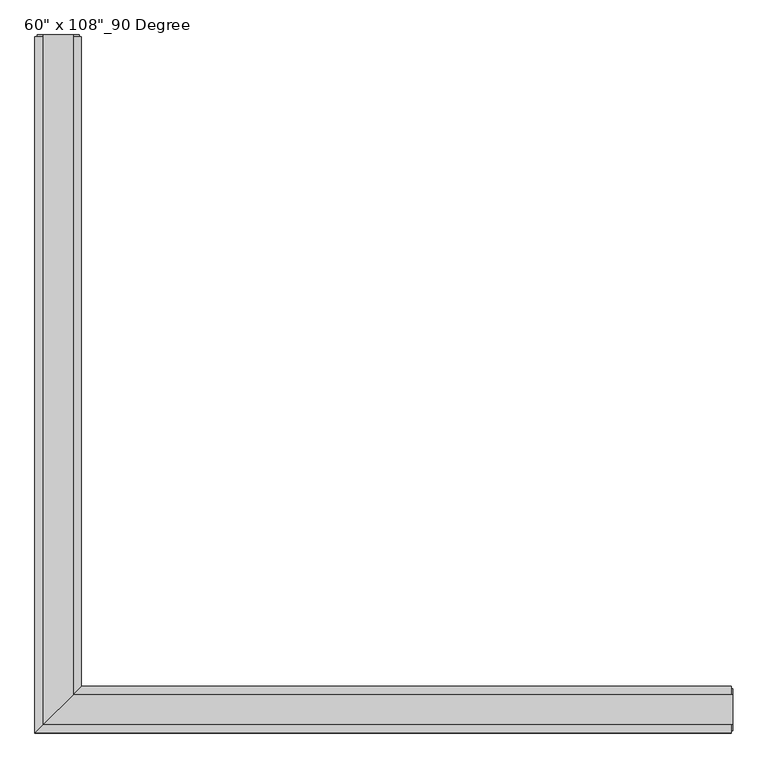
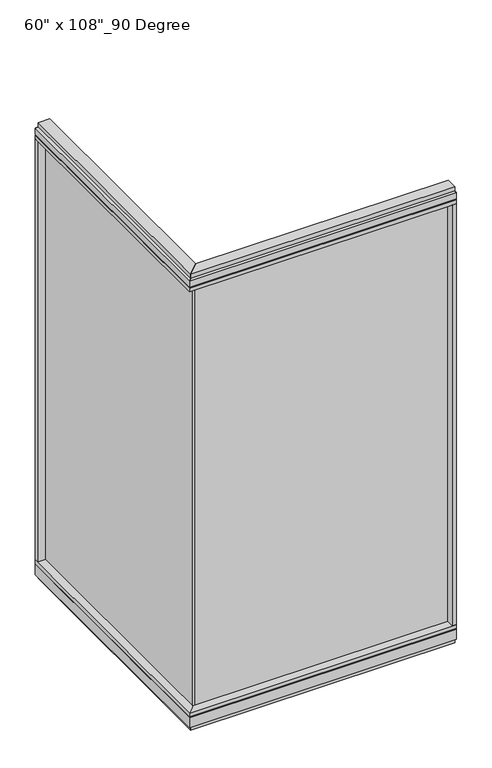
"""IFC4 building model written with IfcOpenShell, lengths in millimetres: furniture geometry."""

from ifc_helpers import new_model, si_unit, frame, origin, origin_with_axes, place, context, project, spatial, polyline, outline, extrude, faceted_brep, source, transform, mapped, element, save


def furniture_4dee4172(model_context):
    return source(origin(), model_context, "Body", "SolidModel", [
        extrude(outline(polyline([(-776.3165229, 1442.5202784), (-766.1565229, 1442.5202784), (-766.1565229, -9.5977216), (-776.3165229, -9.5977216), (-776.3165229, 1442.5202784)])), frame((0.0, 0.0, 120.523), z_axis=(0.0, 0.0, 1.0), x_axis=(1.0, 0.0, 0.0)), (0.0, 0.0, 1.0), 2533.777),
        extrude(outline(polyline([(-720.4365229, 1464.7452784), (-720.4365229, 46.2822784), (-822.0365229, -55.3177216), (-822.0365229, 1464.7452784), (-720.4365229, 1464.7452784)])), frame((0.0, 0.0, 2654.3), z_axis=(0.0, 0.0, 1.0), x_axis=(1.0, 0.0, 0.0)), (0.0, 0.0, 1.0), 22.225),
        faceted_brep([(-720.4365229, 46.2822784, 2681.478), (-720.4365229, 46.2822784, 2717.8), (-822.0365229, -55.3177216, 2717.8), (-822.0365229, -55.3177216, 2681.478), (-817.0835229, -50.3647216, 2681.478), (-817.0835229, -50.3647216, 2676.525), (-725.3895229, 41.3292784, 2676.525), (-725.3895229, 41.3292784, 2681.478), (-720.4365229, 1464.7452784, 2681.478), (-725.3895229, 1464.7452784, 2681.478), (-725.3895229, 1464.7452784, 2676.525), (-817.0835229, 1464.7452784, 2676.525), (-817.0835229, 1464.7452784, 2681.478), (-822.0365229, 1464.7452784, 2681.478), (-822.0365229, 1464.7452784, 2717.8), (-720.4365229, 1464.7452784, 2717.8)], [[[0, 1, 2, 3, 4, 5, 6, 7]], [[8, 9, 10, 11, 12, 13, 14, 15]], [[8, 0, 7, 9]], [[13, 3, 2, 14]], [[14, 2, 1, 15]], [[15, 1, 0, 8]], [[9, 7, 6, 10]], [[10, 6, 5, 11]], [[11, 5, 4, 12]], [[12, 4, 3, 13]]]),
        extrude(outline(polyline([(-738.7245229, 1468.6822784), (-738.7245229, 27.9942784), (-803.7485229, -37.0297216), (-803.7485229, 1468.6822784), (-738.7245229, 1468.6822784)])), frame((0.0, 0.0, 2717.8), z_axis=(0.0, 0.0, 1.0), x_axis=(1.0, 0.0, 0.0)), (0.0, 0.0, 1.0), 25.4),
        faceted_brep([(-725.3895229, 41.3292784, 93.345), (-725.3895229, 41.3292784, 98.298), (-817.0835229, -50.3647216, 98.298), (-817.0835229, -50.3647216, 93.345), (-822.0365229, -55.3177216, 93.345), (-822.0365229, -55.3177216, 31.75), (-720.4365229, 46.2822784, 31.75), (-720.4365229, 46.2822784, 93.345), (-720.4365229, 1464.7452784, 93.345), (-720.4365229, 1464.7452784, 31.75), (-822.0365229, 1464.7452784, 31.75), (-822.0365229, 1464.7452784, 93.345), (-817.0835229, 1464.7452784, 93.345), (-817.0835229, 1464.7452784, 98.298), (-725.3895229, 1464.7452784, 98.298), (-725.3895229, 1464.7452784, 93.345)], [[[0, 1, 2, 3, 4, 5, 6, 7]], [[8, 9, 10, 11, 12, 13, 14, 15]], [[15, 0, 7, 8]], [[10, 5, 4, 11]], [[9, 6, 5, 10]], [[8, 7, 6, 9]], [[14, 1, 0, 15]], [[13, 2, 1, 14]], [[12, 3, 2, 13]], [[11, 4, 3, 12]]]),
        extrude(outline(polyline([(-720.4365229, 1464.7452784), (-720.4365229, 46.2822784), (-822.0365229, -55.3177216), (-822.0365229, 1464.7452784), (-720.4365229, 1464.7452784)])), frame((0.0, 0.0, 98.298), z_axis=(0.0, 0.0, 1.0), x_axis=(1.0, 0.0, 0.0)), (0.0, 0.0, 1.0), 22.225),
        extrude(outline(polyline([(-738.7245229, 1468.6822784), (-738.7245229, 27.9942784), (-803.7485229, -37.0297216), (-803.7485229, 1468.6822784), (-738.7245229, 1468.6822784)])), origin_with_axes(), (0.0, 0.0, 1.0), 31.75),
        extrude(outline(polyline([(-822.0365229, 1442.5202784), (-822.0365229, 1464.7452784), (-720.4365229, 1464.7452784), (-720.4365229, 1442.5202784), (-822.0365229, 1442.5202784)])), frame((0.0, 0.0, 120.523), z_axis=(0.0, 0.0, 1.0), x_axis=(1.0, 0.0, 0.0)), (0.0, 0.0, 1.0), 2533.777),
        extrude(outline(polyline([(-817.0835229, 1468.6822784), (-725.3895229, 1468.6822784), (-725.3895229, 1464.7452784), (-817.0835229, 1464.7452784), (-817.0835229, 1468.6822784)])), frame((0.0, 0.0, 31.75), z_axis=(0.0, 0.0, 1.0), x_axis=(1.0, 0.0, 0.0)), (0.0, 0.0, 1.0), 2686.05),
        extrude(outline(polyline([(675.8014771, -9.5977216), (-776.3165229, -9.5977216), (-776.3165229, 0.5622784), (675.8014771, 0.5622784), (675.8014771, -9.5977216)])), frame((0.0, 0.0, 120.523), z_axis=(0.0, 0.0, 1.0), x_axis=(1.0, 0.0, 0.0)), (0.0, 0.0, 1.0), 2533.777),
        extrude(outline(polyline([(698.0264771, 46.2822784), (698.0264771, -55.3177216), (-822.0365229, -55.3177216), (-720.4365229, 46.2822784), (698.0264771, 46.2822784)])), frame((0.0, 0.0, 2654.3), z_axis=(0.0, 0.0, 1.0), x_axis=(1.0, 0.0, 0.0)), (0.0, 0.0, 1.0), 22.225),
        faceted_brep([(-720.4365229, 46.2822784, 2681.478), (-725.3895229, 41.3292784, 2681.478), (-725.3895229, 41.3292784, 2676.525), (-817.0835229, -50.3647216, 2676.525), (-817.0835229, -50.3647216, 2681.478), (-822.0365229, -55.3177216, 2681.478), (-822.0365229, -55.3177216, 2717.8), (-720.4365229, 46.2822784, 2717.8), (698.0264771, 46.2822784, 2681.478), (698.0264771, 46.2822784, 2717.8), (698.0264771, -55.3177216, 2717.8), (698.0264771, -55.3177216, 2681.478), (698.0264771, -50.3647216, 2681.478), (698.0264771, -50.3647216, 2676.525), (698.0264771, 41.3292784, 2676.525), (698.0264771, 41.3292784, 2681.478)], [[[0, 1, 2, 3, 4, 5, 6, 7]], [[8, 9, 10, 11, 12, 13, 14, 15]], [[8, 15, 1, 0]], [[11, 10, 6, 5]], [[10, 9, 7, 6]], [[9, 8, 0, 7]], [[15, 14, 2, 1]], [[14, 13, 3, 2]], [[13, 12, 4, 3]], [[12, 11, 5, 4]]]),
        extrude(outline(polyline([(701.9634771, 27.9942784), (701.9634771, -37.0297216), (-803.7485229, -37.0297216), (-738.7245229, 27.9942784), (701.9634771, 27.9942784)])), frame((0.0, 0.0, 2717.8), z_axis=(0.0, 0.0, 1.0), x_axis=(1.0, 0.0, 0.0)), (0.0, 0.0, 1.0), 25.4),
        faceted_brep([(-725.3895229, 41.3292784, 93.345), (-720.4365229, 46.2822784, 93.345), (-720.4365229, 46.2822784, 31.75), (-822.0365229, -55.3177216, 31.75), (-822.0365229, -55.3177216, 93.345), (-817.0835229, -50.3647216, 93.345), (-817.0835229, -50.3647216, 98.298), (-725.3895229, 41.3292784, 98.298), (698.0264771, 46.2822784, 93.345), (698.0264771, 41.3292784, 93.345), (698.0264771, 41.3292784, 98.298), (698.0264771, -50.3647216, 98.298), (698.0264771, -50.3647216, 93.345), (698.0264771, -55.3177216, 93.345), (698.0264771, -55.3177216, 31.75), (698.0264771, 46.2822784, 31.75)], [[[0, 1, 2, 3, 4, 5, 6, 7]], [[8, 9, 10, 11, 12, 13, 14, 15]], [[9, 8, 1, 0]], [[14, 13, 4, 3]], [[15, 14, 3, 2]], [[8, 15, 2, 1]], [[10, 9, 0, 7]], [[11, 10, 7, 6]], [[12, 11, 6, 5]], [[13, 12, 5, 4]]]),
        extrude(outline(polyline([(698.0264771, 46.2822784), (698.0264771, -55.3177216), (-822.0365229, -55.3177216), (-720.4365229, 46.2822784), (698.0264771, 46.2822784)])), frame((0.0, 0.0, 98.298), z_axis=(0.0, 0.0, 1.0), x_axis=(1.0, 0.0, 0.0)), (0.0, 0.0, 1.0), 22.225),
        extrude(outline(polyline([(701.9634771, 27.9942784), (701.9634771, -37.0297216), (-803.7485229, -37.0297216), (-738.7245229, 27.9942784), (701.9634771, 27.9942784)])), origin_with_axes(), (0.0, 0.0, 1.0), 31.75),
        extrude(outline(polyline([(675.8014771, -55.3177216), (675.8014771, 46.2822784), (698.0264771, 46.2822784), (698.0264771, -55.3177216), (675.8014771, -55.3177216)])), frame((0.0, 0.0, 120.523), z_axis=(0.0, 0.0, 1.0), x_axis=(1.0, 0.0, 0.0)), (0.0, 0.0, 1.0), 2533.777),
        extrude(outline(polyline([(701.9634771, -50.3647216), (698.0264771, -50.3647216), (698.0264771, 41.3292784), (701.9634771, 41.3292784), (701.9634771, -50.3647216)])), frame((0.0, 0.0, 31.75), z_axis=(0.0, 0.0, 1.0), x_axis=(1.0, 0.0, 0.0)), (0.0, 0.0, 1.0), 2686.05),
    ])


if __name__ == "__main__":
    model = new_model("IFC4")
    model_context = context("Model", 3, world=origin())
    ifc_project = project(units=[si_unit("LENGTHUNIT", "METRE", prefix="MILLI")], contexts=[model_context])
    site = spatial("IfcSite", under=ifc_project)
    building = spatial("IfcBuilding", under=site)
    placement = place(None, origin())
    furniture_shape = furniture_4dee4172(model_context)
    element("IfcFurniture", 1, ObjectType="60\" x 108\"_90 Degree", at=placement, inside=building, context=model_context, shape_type="MappedRepresentation", body=[
        mapped(furniture_shape, transform((0.0, 0.0, 0.0), x_axis=(1.0, 0.0, 0.0), y_axis=(0.0, 1.0, 0.0), z_axis=(0.0, 0.0, 1.0))),
    ])
    save(model, "model.ifc")
